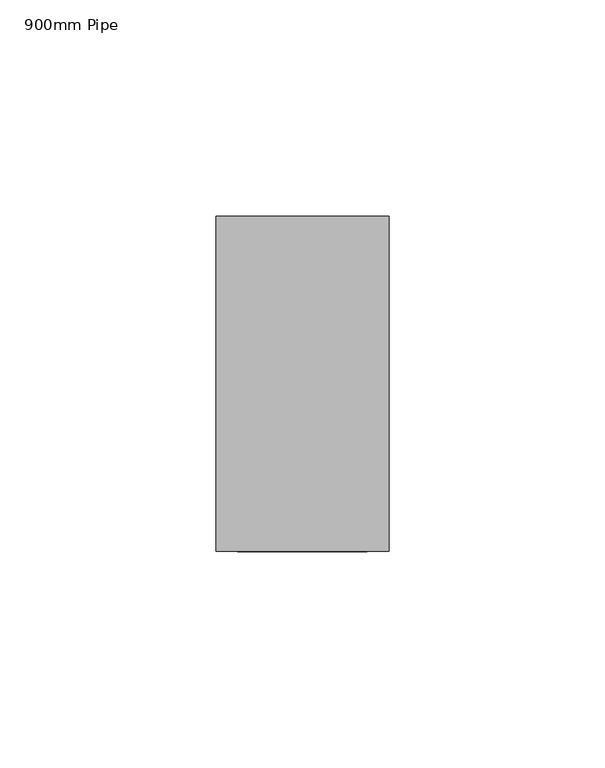
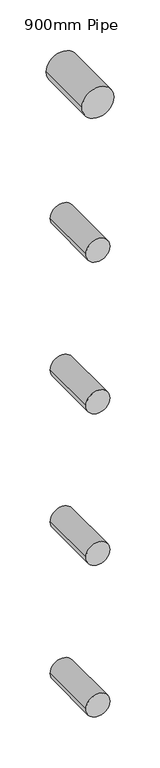
"""IFC4 building model written with IfcOpenShell, lengths in millimetres: railing geometry, 900mm Pipe."""

import ifcopenshell
import ifcopenshell.guid

model = None  # the IFC model being written
_history = None  # IfcOwnerHistory: only IFC2X3 demands one
_inside = {}  # id of a spatial element -> (the spatial element, [elements in it])
_under = {}  # id of a project, library or spatial element -> (it, [spatial elements below it])
_declared = {}  # id of a project -> (the project, [libraries it declares])
_typed = {}  # id of a type object -> (the type object, [elements of that type])
_made_of = {}  # id of a material, layer set ... -> (it, [elements and type objects made of it])


def new_model(schema):
    """Start an empty IFC model of exactly this schema.

    Asked for "IFC4X3", IfcOpenShell would pick the latest addendum, in which some entities
    have other attributes; the version numbers below select the first issue.
    IFC2X3 requires an IfcOwnerHistory on every rooted entity: one is made here for all.
    """
    global model, _history
    if schema == "IFC4X3":
        model = ifcopenshell.file(schema_version=(4, 3, 0, 0))
    else:
        model = ifcopenshell.file(schema=schema)
    _inside.clear()
    _under.clear()
    _declared.clear()
    _typed.clear()
    _made_of.clear()
    _history = None
    if model.schema == "IFC2X3":
        org = make("IfcOrganization", Name="unknown")
        user = make(
            "IfcPersonAndOrganization",
            ThePerson=make("IfcPerson", FamilyName="unknown"),
            TheOrganization=org,
        )
        app = make(
            "IfcApplication",
            ApplicationDeveloper=org,
            Version="unknown",
            ApplicationFullName="unknown",
            ApplicationIdentifier="unknown",
        )
        _history = make(
            "IfcOwnerHistory",
            OwningUser=user,
            OwningApplication=app,
            ChangeAction="ADDED",
            CreationDate=0,
        )
    return model


def make(cls, **values):
    """One entity of the class cls with the attributes given. An attribute that is None is left unset."""
    return model.create_entity(
        cls, **{name: value for name, value in values.items() if value is not None}
    )


def rooted(cls, **values):
    """An entity with a GlobalId (a new one), such as an element, a storey or a relation."""
    return make(cls, GlobalId=ifcopenshell.guid.new(), OwnerHistory=_history, **values)


def si_unit(unit_type, name, prefix=None):
    """IfcSIUnit, for example si_unit("LENGTHUNIT", "METRE", prefix="MILLI")."""
    return make("IfcSIUnit", UnitType=unit_type, Prefix=prefix, Name=name)


def assignment(units):
    """IfcUnitAssignment: the units of a project."""
    return None if units is None else make("IfcUnitAssignment", Units=units)


def point(xyz):
    """IfcCartesianPoint."""
    return None if xyz is None else make("IfcCartesianPoint", Coordinates=xyz)


def direction(xyz):
    """IfcDirection."""
    return None if xyz is None else make("IfcDirection", DirectionRatios=xyz)


def frame(location, z_axis=None, x_axis=None):
    """IfcAxis2Placement3D, a coordinate frame: its origin and axes. An axis left out is left unset."""
    return make(
        "IfcAxis2Placement3D",
        Location=point(location),
        Axis=direction(z_axis),
        RefDirection=direction(x_axis),
    )


def frame_2d(location, x_axis=None):
    """IfcAxis2Placement2D, a coordinate frame in the plane: its origin and x axis."""
    return make(
        "IfcAxis2Placement2D", Location=point(location), RefDirection=direction(x_axis)
    )


def origin():
    """The frame at (0, 0, 0) with its axes left unset."""
    return frame((0.0, 0.0, 0.0))


def place(relative_to, where):
    """IfcLocalPlacement: puts the frame where relative to a parent placement (None: the world)."""
    return make(
        "IfcLocalPlacement", PlacementRelTo=relative_to, RelativePlacement=where
    )


def context(
    kind, dimensions, precision=None, world=None, true_north=None, identifier=None
):
    """IfcGeometricRepresentationContext, for example the 3D "Model" context."""
    return make(
        "IfcGeometricRepresentationContext",
        ContextIdentifier=identifier,
        ContextType=kind,
        CoordinateSpaceDimension=dimensions,
        Precision=precision,
        WorldCoordinateSystem=world,
        TrueNorth=true_north,
    )


def project(units=None, contexts=None):
    """IfcProject with its units and contexts."""
    return rooted(
        "IfcProject",
        Name="project",
        RepresentationContexts=contexts,
        UnitsInContext=assignment(units),
    )


def spatial(cls, under=None, at=None, **own):
    """A site, building, storey or space (cls), placed at a placement, below another one or the project."""
    s = rooted(cls, ObjectPlacement=at, **own)
    if under is not None:
        _under.setdefault(under.id(), (under, []))[1].append(s)
    return s


def circle_curve(where, radius):
    """IfcCircle in the frame where."""
    return make("IfcCircle", Position=where, Radius=radius)


def trimmed(basis, trim1, trim2, sense, master):
    """IfcTrimmedCurve: the piece of a basis curve between two trims."""
    return make(
        "IfcTrimmedCurve",
        BasisCurve=basis,
        Trim1=trim1,
        Trim2=trim2,
        SenseAgreement=sense,
        MasterRepresentation=master,
    )


def segment(curve, same_sense, transition):
    """IfcCompositeCurveSegment."""
    return make(
        "IfcCompositeCurveSegment",
        Transition=transition,
        SameSense=same_sense,
        ParentCurve=curve,
    )


def composite_curve(segments, self_intersect=None):
    """IfcCompositeCurve: segments joined end to end."""
    return make("IfcCompositeCurve", Segments=segments, SelfIntersect=self_intersect)


def outline(outer, holes=None, kind="AREA"):
    """IfcArbitraryClosedProfileDef: a profile drawn as a closed curve; with holes, ...WithVoids."""
    if holes is None:
        return make("IfcArbitraryClosedProfileDef", ProfileType=kind, OuterCurve=outer)
    return make(
        "IfcArbitraryProfileDefWithVoids",
        ProfileType=kind,
        OuterCurve=outer,
        InnerCurves=holes,
    )


def extrude(swept, where, along, depth):
    """IfcExtrudedAreaSolid: the profile swept, set in the frame where, extruded along a direction by depth."""
    return make(
        "IfcExtrudedAreaSolid",
        SweptArea=swept,
        Position=where,
        ExtrudedDirection=direction(along),
        Depth=depth,
    )


def shape(context_of_items, identifier, shape_type, items):
    """IfcShapeRepresentation: the items that make up one representation, for example the "Body"."""
    return make(
        "IfcShapeRepresentation",
        ContextOfItems=context_of_items,
        RepresentationIdentifier=identifier,
        RepresentationType=shape_type,
        Items=items,
    )


def source(mapping_origin, context_of_items, identifier, shape_type, items):
    """IfcRepresentationMap: a shape defined once, which mapped items show again and again."""
    return make(
        "IfcRepresentationMap",
        MappingOrigin=mapping_origin,
        MappedRepresentation=shape(context_of_items, identifier, shape_type, items),
    )


def transform(
    local_origin,
    x_axis=None,
    y_axis=None,
    z_axis=None,
    scale=None,
    scale2=None,
    scale3=None,
    uniform=True,
):
    """IfcCartesianTransformationOperator3D, or its non-uniform kind. x_axis, y_axis, z_axis: its Axis1, 2, 3."""
    if uniform:
        return make(
            "IfcCartesianTransformationOperator3D",
            Axis1=direction(x_axis),
            Axis2=direction(y_axis),
            LocalOrigin=point(local_origin),
            Scale=scale,
            Axis3=direction(z_axis),
        )
    return make(
        "IfcCartesianTransformationOperator3DnonUniform",
        Axis1=direction(x_axis),
        Axis2=direction(y_axis),
        LocalOrigin=point(local_origin),
        Scale=scale,
        Axis3=direction(z_axis),
        Scale2=scale2,
        Scale3=scale3,
    )


def mapped(mapping_source, mapping_target):
    """IfcMappedItem: shows the shape of a source again, moved by a transform."""
    return make(
        "IfcMappedItem", MappingSource=mapping_source, MappingTarget=mapping_target
    )


def made_of(thing, what):
    """Note that an element or type object is made of a material, layer set ...; save() writes the relation."""
    if what is not None:
        _made_of.setdefault(what.id(), (what, []))[1].append(thing)
    return thing


def element(
    cls,
    number,
    at=None,
    inside=None,
    cuts=None,
    type_object=None,
    material=None,
    context=None,
    identifier="Body",
    shape_type=None,
    held_by="IfcProductDefinitionShape",
    body=None,
    shapes=None,
    **own,
):
    """One element of the class cls, such as IfcWall. Its Tag is "e" and its number.

    at: its placement. inside: the storey or other place that contains it. cuts: it is an
    opening in that element (IfcRelVoidsElement). A single representation is given by context,
    identifier, shape_type and body (its items); several are given by shapes. held_by: the class
    of the entity that holds the representations. save() writes the other relations.
    """
    e = rooted(cls, Tag="e%d" % number, ObjectPlacement=at, **own)
    if body is not None:
        shapes = [shape(context, identifier, shape_type, body)]
    if shapes is not None:
        e.Representation = make(held_by, Representations=shapes)
    if inside is not None:
        _inside.setdefault(inside.id(), (inside, []))[1].append(e)
    if cuts is not None:
        rooted(
            "IfcRelVoidsElement", RelatingBuildingElement=cuts, RelatedOpeningElement=e
        )
    if type_object is not None:
        _typed.setdefault(type_object.id(), (type_object, []))[1].append(e)
    return made_of(e, material)


def aggregate(whole, parts):
    """IfcRelAggregates: a whole, such as a stair, and the parts it consists of."""
    return rooted("IfcRelAggregates", RelatingObject=whole, RelatedObjects=parts)


def save(model, path):
    """Write the relations noted so far, then the file.

    IfcRelAggregates (storeys below a building ...), IfcRelContainedInSpatialStructure (elements
    in a storey), IfcRelDefinesByType, IfcRelAssociatesMaterial and IfcRelDeclares: one each for
    every whole, place, type object, material and project.
    """
    for whole, parts in _under.values():
        aggregate(whole, parts)
    for where, things in _inside.values():
        rooted(
            "IfcRelContainedInSpatialStructure",
            RelatedElements=things,
            RelatingStructure=where,
        )
    for kind, things in _typed.values():
        rooted("IfcRelDefinesByType", RelatedObjects=things, RelatingType=kind)
    for what, things in _made_of.values():
        rooted("IfcRelAssociatesMaterial", RelatedObjects=things, RelatingMaterial=what)
    for by, libraries in _declared.values():
        rooted("IfcRelDeclares", RelatingContext=by, RelatedDefinitions=libraries)
    model.write(path)


def railing_900mm_pipe_f6c95a61(model_context):
    return source(origin(), model_context, "Body", "SweptSolid", [
        extrude(outline(composite_curve([segment(trimmed(circle_curve(frame_2d((17336.0, 7431.6596423)), 20.0), [point((17336.0, 7451.6596423))], [point((17336.0, 7411.6596423))], False, "CARTESIAN"), True, "CONTINUOUS"), segment(trimmed(circle_curve(frame_2d((17336.0, 7431.6596423)), 20.0), [point((17336.0, 7411.6596423))], [point((17336.0, 7451.6596423))], False, "CARTESIAN"), True, "CONTINUOUS")], self_intersect=False)), frame((0.0, -18468.6727814, 0.0), z_axis=(0.0, 1.0, 0.0), x_axis=(0.0, 0.0, 1.0)), (0.0, 0.0, 1.0), 77.5),
        extrude(outline(composite_curve([segment(trimmed(circle_curve(frame_2d((17141.0, 7431.6596423)), 15.0), [point((17141.0, 7446.6596423))], [point((17141.0, 7416.6596423))], False, "CARTESIAN"), True, "CONTINUOUS"), segment(trimmed(circle_curve(frame_2d((17141.0, 7431.6596423)), 15.0), [point((17141.0, 7416.6596423))], [point((17141.0, 7446.6596423))], False, "CARTESIAN"), True, "CONTINUOUS")], self_intersect=False)), frame((0.0, -18468.6727814, 0.0), z_axis=(0.0, 1.0, 0.0), x_axis=(0.0, 0.0, 1.0)), (0.0, 0.0, 1.0), 77.5),
        extrude(outline(composite_curve([segment(trimmed(circle_curve(frame_2d((16941.0, 7431.6596423)), 15.0), [point((16941.0, 7446.6596423))], [point((16941.0, 7416.6596423))], False, "CARTESIAN"), True, "CONTINUOUS"), segment(trimmed(circle_curve(frame_2d((16941.0, 7431.6596423)), 15.0), [point((16941.0, 7416.6596423))], [point((16941.0, 7446.6596423))], False, "CARTESIAN"), True, "CONTINUOUS")], self_intersect=False)), frame((0.0, -18468.6727814, 0.0), z_axis=(0.0, 1.0, 0.0), x_axis=(0.0, 0.0, 1.0)), (0.0, 0.0, 1.0), 77.5),
        extrude(outline(composite_curve([segment(trimmed(circle_curve(frame_2d((16741.0, 7431.6596423)), 15.0), [point((16741.0, 7446.6596423))], [point((16741.0, 7416.6596423))], False, "CARTESIAN"), True, "CONTINUOUS"), segment(trimmed(circle_curve(frame_2d((16741.0, 7431.6596423)), 15.0), [point((16741.0, 7416.6596423))], [point((16741.0, 7446.6596423))], False, "CARTESIAN"), True, "CONTINUOUS")], self_intersect=False)), frame((0.0, -18468.6727814, 0.0), z_axis=(0.0, 1.0, 0.0), x_axis=(0.0, 0.0, 1.0)), (0.0, 0.0, 1.0), 77.5),
        extrude(outline(composite_curve([segment(trimmed(circle_curve(frame_2d((16541.0, 7431.6596423)), 15.0), [point((16541.0, 7446.6596423))], [point((16541.0, 7416.6596423))], False, "CARTESIAN"), True, "CONTINUOUS"), segment(trimmed(circle_curve(frame_2d((16541.0, 7431.6596423)), 15.0), [point((16541.0, 7416.6596423))], [point((16541.0, 7446.6596423))], False, "CARTESIAN"), True, "CONTINUOUS")], self_intersect=False)), frame((0.0, -18468.6727814, 0.0), z_axis=(0.0, 1.0, 0.0), x_axis=(0.0, 0.0, 1.0)), (0.0, 0.0, 1.0), 77.5),
    ])


if __name__ == "__main__":
    model = new_model("IFC4")
    model_context = context("Model", 3, world=origin())
    ifc_project = project(units=[si_unit("LENGTHUNIT", "METRE", prefix="MILLI")], contexts=[model_context])
    site = spatial("IfcSite", under=ifc_project)
    building = spatial("IfcBuilding", under=site)
    placement = place(None, origin())
    railing_900mm_pipe_shape = railing_900mm_pipe_f6c95a61(model_context)
    element("IfcRailing", 1, ObjectType="900mm Pipe", at=placement, inside=building, context=model_context, shape_type="MappedRepresentation", body=[
        mapped(railing_900mm_pipe_shape, transform((0.0, 0.0, 0.0), x_axis=(1.0, 0.0, 0.0), y_axis=(0.0, 1.0, 0.0), z_axis=(0.0, 0.0, 1.0))),
    ])
    save(model, "model.ifc")
